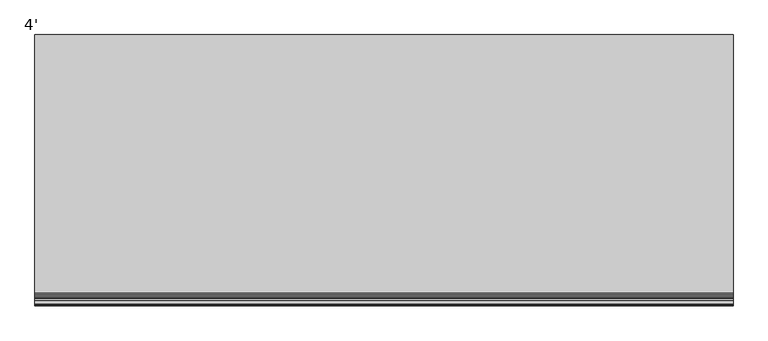
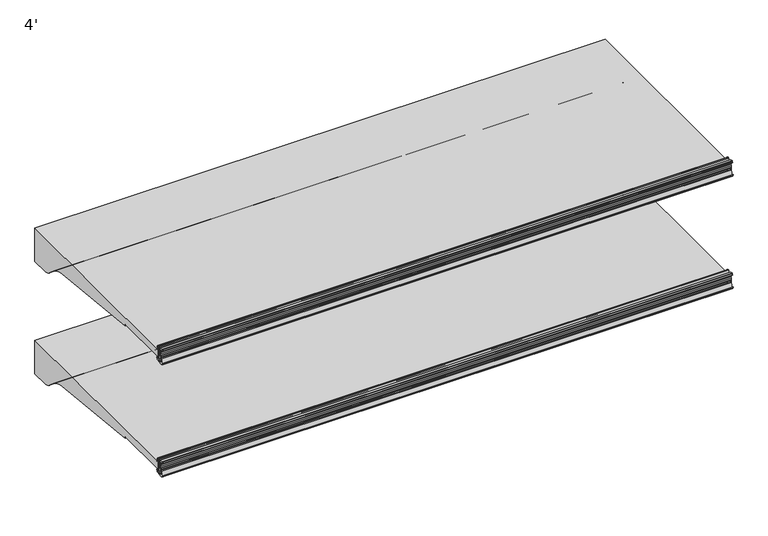
"""IFC4 building model written with IfcOpenShell, lengths in millimetres: proxy geometry, 4'."""

from ifc_helpers import new_model, si_unit, point, frame, frame_2d, origin, place, context, project, spatial, polyline, circle_curve, trimmed, segment, composite_curve, outline, extrude, source, transform, mapped, element, save
from ifc_brep_helpers import plane_surface, cylinder_surface, revolved_surface, advanced_brep


def proxy_4_327bffad(model_context):
    return source(origin(), model_context, "Body", "SolidModel", [
        advanced_brep(
        [(1219.2, -953.4873974, 681.0904625), (1219.2, -952.5185778, 681.4714625), (1219.2, -953.6333414, 684.3061209), (1219.2, -956.6955302, 686.3996415), (1219.2, -959.1595285, 686.4076477), (1219.2, -959.1595285, 657.8657693), (1219.2, -961.2817196, 655.360368), (1219.2, -965.5436404, 654.6561237), (1219.2, -968.2411887, 658.2745384), (1219.2, -965.1539285, 670.8307421), (1219.2, -965.1539285, 686.4076477), (1219.2, -970.314443, 686.4076477), (1219.2, -971.339509, 685.8874951), (1219.2, -972.4224632, 683.637417), (1219.2, -971.4385536, 683.443709), (1219.2, -970.8449745, 685.0408785), (1219.2, -969.9972085, 685.2102858), (1219.2, -967.9567396, 682.1127655), (1219.2, -967.0677396, 682.1127655), (1219.2, -967.0677396, 677.2983931), (1219.2, -966.2810398, 677.1037668), (1219.2, -967.0803293, 673.8729566), (1219.2, -967.1337108, 670.8148125), (1219.2, -967.1768859, 669.6923073), (1219.2, -967.3201998, 668.0486892), (1219.2, -967.7783843, 665.2928115), (1219.2, -968.1746064, 663.6912412), (1219.2, -971.9864246, 655.4135187), (1219.2, -972.8889174, 655.5326257), (1219.2, -973.3695256, 656.9783707), (1219.2, -974.339124, 656.7144155), (1219.2, -973.9435731, 655.5633791), (1219.2, -968.3206176, 651.8042842), (1219.2, -955.7661201, 653.8703352), (1219.2, -953.1994616, 655.999106), (1219.2, -952.2242271, 658.6783954), (1219.2, -953.2266912, 659.0432625), (1219.2, -954.0834067, 657.2549991), (1219.2, -957.704454, 658.1647291), (1219.2, -957.8263588, 681.9749145), (1219.2, -954.1516029, 682.7785615), (0.0, -953.4873974, 681.0904625), (0.0, -954.1516029, 682.7785615), (0.0, -957.8263588, 681.9749145), (0.0, -957.704454, 658.1647291), (0.0, -954.0834067, 657.2549991), (0.0, -953.2266912, 659.0432625), (0.0, -952.2242271, 658.6783954), (0.0, -953.1994616, 655.999106), (0.0, -955.7661201, 653.8703352), (0.0, -968.3206176, 651.8042842), (0.0, -973.943554, 655.5633876), (0.0, -974.339124, 656.7144155), (0.0, -973.3695256, 656.9783707), (0.0, -972.8889174, 655.5326257), (0.0, -971.9864527, 655.4135375), (0.0, -968.1746064, 663.6912412), (0.0, -967.7783843, 665.2928115), (0.0, -967.3201998, 668.0486892), (0.0, -967.1768859, 669.6923073), (0.0, -967.1337108, 670.8148125), (0.0, -967.0803293, 673.8729566), (0.0, -966.2810398, 677.1037668), (0.0, -967.0677396, 677.2983931), (0.0, -967.0677396, 682.1127655), (0.0, -967.9567396, 682.1127655), (0.0, -969.9972022, 685.2102916), (0.0, -970.8449745, 685.0408785), (0.0, -971.4385536, 683.443709), (0.0, -972.4224582, 683.6374156), (0.0, -971.3395219, 685.8875045), (0.0, -970.314443, 686.4076351), (0.0, -965.1539285, 686.4076477), (0.0, -965.1539285, 670.8307421), (0.0, -968.2411887, 658.2745384), (0.0, -965.5436404, 654.6561237), (0.0, -961.2817196, 655.360368), (0.0, -959.1595285, 657.8657693), (0.0, -959.1595285, 686.4076477), (0.0, -956.6955302, 686.3996415), (0.0, -953.6333414, 684.3061209), (0.0, -952.5185778, 681.4714625)],
        [
            (0, 1),
            (1, 2),
            (2, 3, circle_curve(frame((1219.2, -956.7062592, 683.0976589), z_axis=(1.0, 0.0, 0.0), x_axis=(0.0, 1.0, 0.0)), 3.302)),
            (3, 4),
            (4, 5),
            (5, 6, circle_curve(frame((1219.2, -961.6995285, 657.8657693), z_axis=(-1.0, 0.0, 0.0), x_axis=(0.0, 1.0, 0.0)), 2.54)),
            (6, 7),
            (7, 8, circle_curve(frame((1219.2, -965.9577369, 657.1621385), z_axis=(-1.0, 0.0, 0.0), x_axis=(0.0, 1.0, 0.0)), 2.5399972)),
            (8, 9, circle_curve(frame((1219.2, -996.6337496, 671.9132099), z_axis=(1.0, 0.0, 0.0), x_axis=(0.0, 1.0, 0.0)), 31.4984265)),
            (9, 10),
            (10, 11),
            (11, 12, circle_curve(frame((1219.2, -970.3145227, 685.1376477), z_axis=(1.0, 0.0, 0.0), x_axis=(0.0, 1.0, 0.0)), 1.2699874)),
            (12, 13, circle_curve(frame((1219.2, -965.8048035, 681.8380607), z_axis=(1.0, 0.0, 0.0), x_axis=(0.0, 1.0, 0.0)), 6.8579226)),
            (13, 14, circle_curve(frame((1219.2, -971.9374049, 683.5055199), z_axis=(1.0, 0.0, 0.0), x_axis=(0.0, 1.0, 0.0)), 0.5026661)),
            (14, 15),
            (15, 16, circle_curve(frame((1219.2, -970.3688025, 684.8639119), z_axis=(-1.0, 0.0, 0.0), x_axis=(0.0, 1.0, 0.0)), 0.5079931)),
            (16, 17, circle_curve(frame((1219.2, -978.1160311, 677.6412695), z_axis=(-1.0, 0.0, 0.0), x_axis=(0.0, 1.0, 0.0)), 11.0997964)),
            (17, 18),
            (18, 19),
            (19, 20),
            (20, 21),
            (21, 22),
            (22, 23, circle_curve(frame((1219.2, -995.7036769, 671.3516199), z_axis=(-1.0, 0.0, 0.0), x_axis=(0.0, 1.0, 0.0)), 28.5750087)),
            (23, 24, circle_curve(frame((1219.2, -967.6415419, 668.9047655), z_axis=(-1.0, 0.0, 0.0), x_axis=(0.0, 1.0, 0.0)), 0.9144)),
            (24, 25, circle_curve(frame((1219.2, -995.7036769, 671.3516199), z_axis=(-1.0, 0.0, 0.0), x_axis=(0.0, 1.0, 0.0)), 28.5750087)),
            (25, 26, circle_curve(frame((1219.2, -968.3594405, 664.5867655), z_axis=(-1.0, 0.0, 0.0), x_axis=(0.0, 1.0, 0.0)), 0.9144)),
            (26, 27, circle_curve(frame((1219.2, -995.7036769, 671.3516199), z_axis=(-1.0, 0.0, 0.0), x_axis=(0.0, 1.0, 0.0)), 28.5750087)),
            (27, 28, circle_curve(frame((1219.2, -972.4081685, 655.6967617), z_axis=(-1.0, 0.0, 0.0), x_axis=(0.0, 1.0, 0.0)), 0.5079962)),
            (28, 29),
            (29, 30, circle_curve(frame((1219.2, -973.8504313, 656.8320909), z_axis=(1.0, 0.0, 0.0), x_axis=(0.0, 1.0, 0.0)), 0.502661)),
            (30, 31, circle_curve(frame((1219.2, -967.6812793, 658.3588849), z_axis=(1.0, 0.0, 0.0), x_axis=(0.0, 1.0, 0.0)), 6.857928)),
            (31, 32, circle_curve(frame((1219.2, -968.1450833, 658.1518495), z_axis=(1.0, 0.0, 0.0), x_axis=(0.0, 1.0, 0.0)), 6.3499919)),
            (32, 33),
            (33, 34, circle_curve(frame((1219.2, -956.302307, 657.1285107), z_axis=(1.0, 0.0, 0.0), x_axis=(0.0, 1.0, 0.0)), 3.302)),
            (34, 35),
            (35, 36),
            (36, 37),
            (37, 38, circle_curve(frame((1219.2, -955.8014264, 658.0780625), z_axis=(-1.0, 0.0, 0.0), x_axis=(0.0, 1.0, 0.0)), 1.905)),
            (38, 39, circle_curve(frame((1219.2, -1192.7045275, 668.8669665), z_axis=(1.0, 0.0, 0.0), x_axis=(0.0, 1.0, 0.0)), 235.2436449)),
            (39, 40, circle_curve(frame((1219.2, -955.9243184, 682.0810625), z_axis=(-1.0, 0.0, 0.0), x_axis=(0.0, 1.0, 0.0)), 1.905)),
            (40, 0),
            (41, 42),
            (42, 43, circle_curve(frame((0.0, -955.9243184, 682.0810625), z_axis=(1.0, 0.0, 0.0), x_axis=(0.0, 1.0, 0.0)), 1.905)),
            (43, 44, circle_curve(frame((0.0, -1192.7045275, 668.8669665), z_axis=(-1.0, 0.0, 0.0), x_axis=(0.0, 1.0, 0.0)), 235.2436449)),
            (44, 45, circle_curve(frame((0.0, -955.8014264, 658.0780625), z_axis=(1.0, 0.0, 0.0), x_axis=(0.0, 1.0, 0.0)), 1.905)),
            (45, 46),
            (46, 47),
            (47, 48),
            (48, 49, circle_curve(frame((0.0, -956.302307, 657.1285107), z_axis=(-1.0, 0.0, 0.0), x_axis=(0.0, 1.0, 0.0)), 3.302)),
            (49, 50),
            (50, 51, circle_curve(frame((0.0, -968.1450833, 658.1518495), z_axis=(-1.0, 0.0, 0.0), x_axis=(0.0, 1.0, 0.0)), 6.3499919)),
            (51, 52, circle_curve(frame((0.0, -967.6812793, 658.3588849), z_axis=(-1.0, 0.0, 0.0), x_axis=(0.0, 1.0, 0.0)), 6.857928)),
            (52, 53, circle_curve(frame((0.0, -973.8504313, 656.8320909), z_axis=(-1.0, 0.0, 0.0), x_axis=(0.0, 1.0, 0.0)), 0.502661)),
            (53, 54),
            (54, 55, circle_curve(frame((0.0, -972.4081685, 655.6967617), z_axis=(1.0, 0.0, 0.0), x_axis=(0.0, 1.0, 0.0)), 0.5079962)),
            (55, 56, circle_curve(frame((0.0, -995.7036769, 671.3516199), z_axis=(1.0, 0.0, 0.0), x_axis=(0.0, 1.0, 0.0)), 28.5750087)),
            (56, 57, circle_curve(frame((0.0, -968.3594405, 664.5867655), z_axis=(1.0, 0.0, 0.0), x_axis=(0.0, 1.0, 0.0)), 0.9144)),
            (57, 58, circle_curve(frame((0.0, -995.7036769, 671.3516199), z_axis=(1.0, 0.0, 0.0), x_axis=(0.0, 1.0, 0.0)), 28.5750087)),
            (58, 59, circle_curve(frame((0.0, -967.6415419, 668.9047655), z_axis=(1.0, 0.0, 0.0), x_axis=(0.0, 1.0, 0.0)), 0.9144)),
            (59, 60, circle_curve(frame((0.0, -995.7036769, 671.3516199), z_axis=(1.0, 0.0, 0.0), x_axis=(0.0, 1.0, 0.0)), 28.5750087)),
            (60, 61),
            (61, 62),
            (62, 63),
            (63, 64),
            (64, 65),
            (65, 66, circle_curve(frame((0.0, -978.1160311, 677.6412695), z_axis=(1.0, 0.0, 0.0), x_axis=(0.0, 1.0, 0.0)), 11.0997964)),
            (66, 67, circle_curve(frame((0.0, -970.3688025, 684.8639119), z_axis=(1.0, 0.0, 0.0), x_axis=(0.0, 1.0, 0.0)), 0.5079931)),
            (67, 68),
            (68, 69, circle_curve(frame((0.0, -971.9374049, 683.5055199), z_axis=(-1.0, 0.0, 0.0), x_axis=(0.0, 1.0, 0.0)), 0.5026661)),
            (69, 70, circle_curve(frame((0.0, -965.8048035, 681.8380607), z_axis=(-1.0, 0.0, 0.0), x_axis=(0.0, 1.0, 0.0)), 6.8579226)),
            (70, 71, circle_curve(frame((0.0, -970.3145227, 685.1376477), z_axis=(-1.0, 0.0, 0.0), x_axis=(0.0, 1.0, 0.0)), 1.2699874)),
            (71, 72),
            (72, 73),
            (73, 74, circle_curve(frame((0.0, -996.6337496, 671.9132099), z_axis=(-1.0, 0.0, 0.0), x_axis=(0.0, 1.0, 0.0)), 31.4984265)),
            (74, 75, circle_curve(frame((0.0, -965.9577369, 657.1621385), z_axis=(1.0, 0.0, 0.0), x_axis=(0.0, 1.0, 0.0)), 2.5399972)),
            (75, 76),
            (76, 77, circle_curve(frame((0.0, -961.6995285, 657.8657693), z_axis=(1.0, 0.0, 0.0), x_axis=(0.0, 1.0, 0.0)), 2.54)),
            (77, 78),
            (78, 79),
            (79, 80, circle_curve(frame((0.0, -956.7062592, 683.0976589), z_axis=(-1.0, 0.0, 0.0), x_axis=(0.0, 1.0, 0.0)), 3.302)),
            (80, 81),
            (81, 41),
            (0, 41),
            (81, 1),
            (80, 2),
            (79, 3),
            (78, 4),
            (77, 5),
            (76, 6),
            (75, 7),
            (74, 8),
            (73, 9),
            (72, 10),
            (71, 11),
            (70, 12),
            (69, 13),
            (68, 14),
            (67, 15),
            (66, 16),
            (65, 17),
            (64, 18),
            (63, 19),
            (62, 20),
            (61, 21),
            (60, 22),
            (59, 23),
            (58, 24),
            (57, 25),
            (56, 26),
            (55, 27),
            (54, 28),
            (53, 29),
            (52, 30),
            (51, 31),
            (50, 32),
            (49, 33),
            (48, 34),
            (47, 35),
            (46, 36),
            (45, 37),
            (44, 38),
            (43, 39),
            (42, 40),
        ],
        [
            plane_surface(frame((1219.2, -952.5185778, 681.4714625), z_axis=(1.0, 0.0, 0.0), x_axis=(0.0, 0.9306231900674232, 0.3659787946162082))),
            plane_surface(frame((0.0, -952.5185778, 681.4714625), z_axis=(-1.0, 0.0, 0.0), x_axis=(0.0, -0.9306231900674232, -0.3659787946162082))),
            plane_surface(frame((1219.2, -953.4873974, 681.0904625), z_axis=(0.0, 0.3659787946162082, -0.9306231900674232), x_axis=(-1.0, 0.0, 0.0))),
            plane_surface(frame((1219.2, -952.5185778, 681.4714625), z_axis=(0.0, 0.9306231900759704, 0.3659787945944743), x_axis=(-1.0, 0.0, 0.0))),
            cylinder_surface(frame((0.0, -956.7062592, 683.0976589), z_axis=(1.0, 0.0, 0.0), x_axis=(0.0, 1.0, 0.0)), 3.302),
            plane_surface(frame((1219.2, -956.6955302, 686.3996415), z_axis=(0.0, 0.0032492421037266625, 0.9999947211989428), x_axis=(-1.0, 0.0, 0.0))),
            plane_surface(frame((1219.2, -959.1595285, 686.4076477), z_axis=(0.0, -1.0, 0.0), x_axis=(-1.0, 0.0, 0.0))),
            revolved_surface(polyline([(0.0, -959.1595285000001, 657.8657693), (1219.2, -959.1595285000001, 657.8657693)]), (0.0, -961.6995285, 657.8657693), (-1.0, 0.0, 0.0)),
            plane_surface(frame((1219.2, -961.2817196, 655.360368), z_axis=(0.0, -0.16303029417408857, 0.9866210636214444), x_axis=(-1.0, 0.0, 0.0))),
            revolved_surface(polyline([(0.0, -963.4177397, 657.1621385), (1219.2, -963.4177397, 657.1621385)]), (0.0, -965.9577369, 657.1621385), (-1.0, 0.0, 0.0)),
            cylinder_surface(frame((0.0, -996.6337496, 671.9132099), z_axis=(1.0, 0.0, 0.0), x_axis=(0.0, 1.0, 0.0)), 31.4984265),
            plane_surface(frame((1219.2, -965.1539285, 670.8307421), z_axis=(0.0, 1.0, 0.0), x_axis=(-1.0, 0.0, 0.0))),
            plane_surface(frame((1219.2, -965.1539285, 686.4076477), z_axis=(0.0, -1.119160319973389e-12, 1.0), x_axis=(-1.0, 0.0, 0.0))),
            cylinder_surface(frame((0.0, -970.3145227, 685.1376477), z_axis=(1.0, 0.0, 0.0), x_axis=(0.0, 1.0, 0.0)), 1.2699874),
            cylinder_surface(frame((0.0, -965.8048035, 681.8380607), z_axis=(1.0, 0.0, 0.0), x_axis=(0.0, 1.0, 0.0)), 6.8579226),
            cylinder_surface(frame((0.0, -971.9374049, 683.5055199), z_axis=(1.0, 0.0, 0.0), x_axis=(0.0, 1.0, 0.0)), 0.5026661),
            plane_surface(frame((1219.2, -971.4385536, 683.443709), z_axis=(0.0, 0.9373592211117492, -0.34836430729449747), x_axis=(-1.0, 0.0, 0.0))),
            revolved_surface(polyline([(0.0, -969.8608094, 684.8639119), (1219.2, -969.8608094, 684.8639119)]), (0.0, -970.3688025, 684.8639119), (-1.0, 0.0, 0.0)),
            revolved_surface(polyline([(0.0, -967.0162347, 677.6412695), (1219.2, -967.0162347, 677.6412695)]), (0.0, -978.1160311, 677.6412695), (-1.0, 0.0, 0.0)),
            plane_surface(frame((1219.2, -967.9567396, 682.1127655), z_axis=(0.0, 3.0451831539108525e-12, -1.0), x_axis=(-1.0, 0.0, 0.0))),
            plane_surface(frame((1219.2, -967.0677396, 682.1127655), z_axis=(0.0, -1.0, 0.0), x_axis=(-1.0, 0.0, 0.0))),
            plane_surface(frame((1219.2, -967.0677396, 677.2983931), z_axis=(0.0, -0.24015578728041675, -0.9707343600778348), x_axis=(-1.0, 0.0, 0.0))),
            plane_surface(frame((1219.2, -966.2810398, 677.1037668), z_axis=(0.0, -0.9707343600778283, 0.2401557872804431), x_axis=(-1.0, 0.0, 0.0))),
            plane_surface(frame((1219.2, -967.0803293, 673.8729566), z_axis=(0.0, -0.9998476868214559, 0.017452883938876798), x_axis=(-1.0, 0.0, 0.0))),
            revolved_surface(polyline([(0.0, -967.1286682, 671.3516199), (1219.2, -967.1286682, 671.3516199)]), (0.0, -995.7036769, 671.3516199), (-1.0, 0.0, 0.0)),
            revolved_surface(polyline([(0.0, -966.7271419, 668.9047655), (1219.2, -966.7271419, 668.9047655)]), (0.0, -967.6415419, 668.9047655), (-1.0, 0.0, 0.0)),
            revolved_surface(polyline([(0.0, -967.4450405, 664.5867655), (1219.2, -967.4450405, 664.5867655)]), (0.0, -968.3594405, 664.5867655), (-1.0, 0.0, 0.0)),
            revolved_surface(polyline([(0.0, -971.9001723, 655.6967617), (1219.2, -971.9001723, 655.6967617)]), (0.0, -972.4081685, 655.6967617), (-1.0, 0.0, 0.0)),
            plane_surface(frame((1219.2, -972.8889174, 655.5326257), z_axis=(0.0, 0.9489403078347877, 0.31545568970367077), x_axis=(-1.0, 0.0, 0.0))),
            cylinder_surface(frame((0.0, -973.8504313, 656.8320909), z_axis=(1.0, 0.0, 0.0), x_axis=(0.0, 1.0, 0.0)), 0.502661),
            cylinder_surface(frame((0.0, -967.6812793, 658.3588849), z_axis=(1.0, 0.0, 0.0), x_axis=(0.0, 1.0, 0.0)), 6.857928),
            cylinder_surface(frame((0.0, -968.1450833, 658.1518495), z_axis=(1.0, 0.0, 0.0), x_axis=(0.0, 1.0, 0.0)), 6.3499919),
            plane_surface(frame((1219.2, -968.3206176, 651.8042842), z_axis=(0.0, 0.16238245504538304, -0.986727894757939), x_axis=(-1.0, 0.0, 0.0))),
            cylinder_surface(frame((0.0, -956.302307, 657.1285107), z_axis=(1.0, 0.0, 0.0), x_axis=(0.0, 1.0, 0.0)), 3.302),
            plane_surface(frame((1219.2, -953.1994616, 655.999106), z_axis=(0.0, 0.9396866512804775, -0.3420365439617273), x_axis=(-1.0, 0.0, 0.0))),
            plane_surface(frame((1219.2, -952.2242271, 658.6783954), z_axis=(0.0, 0.342020143308865, 0.9396926207920244), x_axis=(-1.0, 0.0, 0.0))),
            plane_surface(frame((1219.2, -953.2266912, 659.0432625), z_axis=(0.0, -0.901847608486837, 0.43205426865912666), x_axis=(-1.0, 0.0, 0.0))),
            revolved_surface(polyline([(0.0, -953.8964264, 658.0780625), (1219.2, -953.8964264, 658.0780625)]), (0.0, -955.8014264, 658.0780625), (-1.0, 0.0, 0.0)),
            cylinder_surface(frame((0.0, -1192.7045275, 668.8669665), z_axis=(1.0, 0.0, 0.0), x_axis=(0.0, 1.0, 0.0)), 235.2436449),
            revolved_surface(polyline([(0.0, -954.0193184, 682.0810625), (1219.2, -954.0193184, 682.0810625)]), (0.0, -955.9243184, 682.0810625), (-1.0, 0.0, 0.0)),
            plane_surface(frame((1219.2, -954.1516029, 682.7785615), z_axis=(0.0, -0.9305593005414599, -0.3661412134351841), x_axis=(-1.0, 0.0, 0.0))),
        ],
        [
            (0, [[1, 2, 3, 4, 5, 6, 7, 8, 9, 10, 11, 12, 13, 14, 15, 16, 17, 18, 19, 20, 21, 22, 23, 24, 25, 26, 27, 28, 29, 30, 31, 32, 33, 34, 35, 36, 37, 38, 39, 40, 41]]),
            (1, [[42, 43, 44, 45, 46, 47, 48, 49, 50, 51, 52, 53, 54, 55, 56, 57, 58, 59, 60, 61, 62, 63, 64, 65, 66, 67, 68, 69, 70, 71, 72, 73, 74, 75, 76, 77, 78, 79, 80, 81, 82]]),
            (2, [[-1, 83, -82, 84]]),
            (3, [[-2, -84, -81, 85]]),
            (4, [[-3, -85, -80, 86]]),
            (5, [[-4, -86, -79, 87]]),
            (6, [[-5, -87, -78, 88]]),
            (7, [[-6, -88, -77, 89]]),
            (8, [[-7, -89, -76, 90]]),
            (9, [[-8, -90, -75, 91]]),
            (10, [[-9, -91, -74, 92]]),
            (11, [[-10, -92, -73, 93]]),
            (12, [[-11, -93, -72, 94]]),
            (13, [[-12, -94, -71, 95]]),
            (14, [[-13, -95, -70, 96]]),
            (15, [[-14, -96, -69, 97]]),
            (16, [[-15, -97, -68, 98]]),
            (17, [[-16, -98, -67, 99]]),
            (18, [[-17, -99, -66, 100]]),
            (19, [[-18, -100, -65, 101]]),
            (20, [[-19, -101, -64, 102]]),
            (21, [[-20, -102, -63, 103]]),
            (22, [[-21, -103, -62, 104]]),
            (23, [[-22, -104, -61, 105]]),
            (24, [[-23, -105, -60, 106]]),
            (25, [[-24, -106, -59, 107]]),
            (24, [[-25, -107, -58, 108]]),
            (26, [[-26, -108, -57, 109]]),
            (24, [[-27, -109, -56, 110]]),
            (27, [[-28, -110, -55, 111]]),
            (28, [[-29, -111, -54, 112]]),
            (29, [[-30, -112, -53, 113]]),
            (30, [[-31, -113, -52, 114]]),
            (31, [[-32, -114, -51, 115]]),
            (32, [[-33, -115, -50, 116]]),
            (33, [[-34, -116, -49, 117]]),
            (34, [[-35, -117, -48, 118]]),
            (35, [[-36, -118, -47, 119]]),
            (36, [[-37, -119, -46, 120]]),
            (37, [[-38, -120, -45, 121]]),
            (38, [[-39, -121, -44, 122]]),
            (39, [[-40, -122, -43, 123]]),
            (40, [[-41, -123, -42, -83]]),
        ],
    ),
        extrude(outline(composite_curve([segment(trimmed(circle_curve(frame_2d((-536.2729198, 626.0606371)), 25.4), [point((-535.8410838, 600.6643083))], [point((-552.2502761, 606.3151544))], False, "CARTESIAN"), True, "CONTINUOUS"), segment(polyline([(-552.2502761, 606.3151544), (-570.1023372, 620.76042)]), True, "CONTINUOUS"), segment(trimmed(circle_curve(frame_2d((-610.0457279, 571.3967132)), 63.5), [point((-570.1023372, 620.76042))], [point((-602.1478466, 634.4036452))], True, "CARTESIAN"), True, "CONTINUOUS"), segment(polyline([(-602.1478466, 634.4036452), (-835.4355203, 658.1879037), (-835.4355203, 661.5413347), (-954.2108051, 661.5413347), (-954.8655599, 657.8280355)]), True, "CONTINUOUS"), segment(trimmed(circle_curve(frame_2d((-956.153787, 658.0551847)), 1.3081), [point((-954.8655599, 657.8280355))], [point((-957.461887, 658.0551847))], False, "CARTESIAN"), True, "CONTINUOUS"), segment(polyline([(-957.461887, 658.0551847), (-957.461887, 682.2076215)]), True, "CONTINUOUS"), segment(trimmed(circle_curve(frame_2d((-956.6845498, 682.2076215)), 0.7773372), [point((-957.461887, 682.2076215))], [point((-955.9072126, 682.2076215))], False, "CARTESIAN"), True, "CONTINUOUS"), segment(polyline([(-955.9072126, 682.2076215), (-955.9072126, 681.3588437)]), True, "CONTINUOUS"), segment(trimmed(circle_curve(frame_2d((-951.0617588, 681.3588437)), 4.8454538), [point((-955.9072126, 681.3588437))], [point((-951.0838062, 676.5134401))], True, "CARTESIAN"), True, "CONTINUOUS"), segment(polyline([(-951.0838062, 676.5134401), (-500.2639658, 676.5134401), (-500.2639658, 600.6643083), (-535.8410838, 600.6643083)]), True, "CONTINUOUS")], self_intersect=False)), frame((0.0, 0.0, 0.0), z_axis=(1.0, 0.0, 0.0), x_axis=(0.0, 1.0, 0.0)), (0.0, 0.0, 1.0), 1219.2),
        advanced_brep(
        [(1219.2, -953.4873974, 935.3347051), (1219.2, -952.5185778, 935.7157051), (1219.2, -953.6333414, 938.5503636), (1219.2, -956.6955302, 940.6438842), (1219.2, -959.1595285, 940.6518903), (1219.2, -959.1595285, 912.1100119), (1219.2, -961.2817196, 909.6046106), (1219.2, -965.5436404, 908.9003664), (1219.2, -968.2411887, 912.5187811), (1219.2, -965.1539285, 925.0749847), (1219.2, -965.1539285, 940.6518903), (1219.2, -970.314443, 940.6518903), (1219.2, -971.339509, 940.1317378), (1219.2, -972.4224632, 937.8816596), (1219.2, -971.4385536, 937.6879516), (1219.2, -970.8449745, 939.2851212), (1219.2, -969.9972085, 939.4545284), (1219.2, -967.9567396, 936.3570081), (1219.2, -967.0677396, 936.3570081), (1219.2, -967.0677396, 931.5426358), (1219.2, -966.2810398, 931.3480094), (1219.2, -967.0803293, 928.1171993), (1219.2, -967.1337108, 925.0590552), (1219.2, -967.1768859, 923.93655), (1219.2, -967.3201998, 922.2929318), (1219.2, -967.7783843, 919.5370542), (1219.2, -968.1746064, 917.9354839), (1219.2, -971.9864246, 909.6577613), (1219.2, -972.8889174, 909.7768683), (1219.2, -973.3695256, 911.2226133), (1219.2, -974.339124, 910.9586582), (1219.2, -973.9435731, 909.8076217), (1219.2, -968.3206176, 906.0485269), (1219.2, -955.7661201, 908.1145778), (1219.2, -953.1994616, 910.2433487), (1219.2, -952.2242271, 912.922638), (1219.2, -953.2266912, 913.2875051), (1219.2, -954.0834067, 911.4992417), (1219.2, -957.704454, 912.4089717), (1219.2, -957.8263588, 936.2191571), (1219.2, -954.1516029, 937.0228041), (0.0, -953.4873974, 935.3347051), (0.0, -954.1516029, 937.0228041), (0.0, -957.8263588, 936.2191571), (0.0, -957.704454, 912.4089717), (0.0, -954.0834067, 911.4992417), (0.0, -953.2266912, 913.2875051), (0.0, -952.2242271, 912.922638), (0.0, -953.1994616, 910.2433487), (0.0, -955.7661201, 908.1145778), (0.0, -968.3206176, 906.0485269), (0.0, -973.943554, 909.8076302), (0.0, -974.339124, 910.9586582), (0.0, -973.3695256, 911.2226133), (0.0, -972.8889174, 909.7768683), (0.0, -971.9864527, 909.6577802), (0.0, -968.1746064, 917.9354839), (0.0, -967.7783843, 919.5370542), (0.0, -967.3201998, 922.2929318), (0.0, -967.1768859, 923.93655), (0.0, -967.1337108, 925.0590552), (0.0, -967.0803293, 928.1171993), (0.0, -966.2810398, 931.3480094), (0.0, -967.0677396, 931.5426358), (0.0, -967.0677396, 936.3570081), (0.0, -967.9567396, 936.3570081), (0.0, -969.9972022, 939.4545343), (0.0, -970.8449745, 939.2851212), (0.0, -971.4385536, 937.6879516), (0.0, -972.4224582, 937.8816583), (0.0, -971.3395219, 940.1317472), (0.0, -970.314443, 940.6518777), (0.0, -965.1539285, 940.6518903), (0.0, -965.1539285, 925.0749847), (0.0, -968.2411887, 912.5187811), (0.0, -965.5436404, 908.9003664), (0.0, -961.2817196, 909.6046106), (0.0, -959.1595285, 912.1100119), (0.0, -959.1595285, 940.6518903), (0.0, -956.6955302, 940.6438842), (0.0, -953.6333414, 938.5503636), (0.0, -952.5185778, 935.7157051)],
        [
            (0, 1),
            (1, 2),
            (2, 3, circle_curve(frame((1219.2, -956.7062592, 937.3419016), z_axis=(1.0, 0.0, 0.0), x_axis=(0.0, 1.0, 0.0)), 3.302)),
            (3, 4),
            (4, 5),
            (5, 6, circle_curve(frame((1219.2, -961.6995285, 912.1100119), z_axis=(-1.0, 0.0, 0.0), x_axis=(0.0, 1.0, 0.0)), 2.54)),
            (6, 7),
            (7, 8, circle_curve(frame((1219.2, -965.9577369, 911.4063811), z_axis=(-1.0, 0.0, 0.0), x_axis=(0.0, 1.0, 0.0)), 2.5399972)),
            (8, 9, circle_curve(frame((1219.2, -996.6337496, 926.1574525), z_axis=(1.0, 0.0, 0.0), x_axis=(0.0, 1.0, 0.0)), 31.4984265)),
            (9, 10),
            (10, 11),
            (11, 12, circle_curve(frame((1219.2, -970.3145227, 939.3818903), z_axis=(1.0, 0.0, 0.0), x_axis=(0.0, 1.0, 0.0)), 1.2699874)),
            (12, 13, circle_curve(frame((1219.2, -965.8048035, 936.0823033), z_axis=(1.0, 0.0, 0.0), x_axis=(0.0, 1.0, 0.0)), 6.8579226)),
            (13, 14, circle_curve(frame((1219.2, -971.9374049, 937.7497625), z_axis=(1.0, 0.0, 0.0), x_axis=(0.0, 1.0, 0.0)), 0.5026661)),
            (14, 15),
            (15, 16, circle_curve(frame((1219.2, -970.3688025, 939.1081545), z_axis=(-1.0, 0.0, 0.0), x_axis=(0.0, 1.0, 0.0)), 0.5079931)),
            (16, 17, circle_curve(frame((1219.2, -978.1160311, 931.8855121), z_axis=(-1.0, 0.0, 0.0), x_axis=(0.0, 1.0, 0.0)), 11.0997964)),
            (17, 18),
            (18, 19),
            (19, 20),
            (20, 21),
            (21, 22),
            (22, 23, circle_curve(frame((1219.2, -995.7036769, 925.5958625), z_axis=(-1.0, 0.0, 0.0), x_axis=(0.0, 1.0, 0.0)), 28.5750087)),
            (23, 24, circle_curve(frame((1219.2, -967.6415419, 923.1490081), z_axis=(-1.0, 0.0, 0.0), x_axis=(0.0, 1.0, 0.0)), 0.9144)),
            (24, 25, circle_curve(frame((1219.2, -995.7036769, 925.5958625), z_axis=(-1.0, 0.0, 0.0), x_axis=(0.0, 1.0, 0.0)), 28.5750087)),
            (25, 26, circle_curve(frame((1219.2, -968.3594405, 918.8310081), z_axis=(-1.0, 0.0, 0.0), x_axis=(0.0, 1.0, 0.0)), 0.9144)),
            (26, 27, circle_curve(frame((1219.2, -995.7036769, 925.5958625), z_axis=(-1.0, 0.0, 0.0), x_axis=(0.0, 1.0, 0.0)), 28.5750087)),
            (27, 28, circle_curve(frame((1219.2, -972.4081685, 909.9410043), z_axis=(-1.0, 0.0, 0.0), x_axis=(0.0, 1.0, 0.0)), 0.5079962)),
            (28, 29),
            (29, 30, circle_curve(frame((1219.2, -973.8504313, 911.0763335), z_axis=(1.0, 0.0, 0.0), x_axis=(0.0, 1.0, 0.0)), 0.502661)),
            (30, 31, circle_curve(frame((1219.2, -967.6812793, 912.6031275), z_axis=(1.0, 0.0, 0.0), x_axis=(0.0, 1.0, 0.0)), 6.857928)),
            (31, 32, circle_curve(frame((1219.2, -968.1450833, 912.3960921), z_axis=(1.0, 0.0, 0.0), x_axis=(0.0, 1.0, 0.0)), 6.3499919)),
            (32, 33),
            (33, 34, circle_curve(frame((1219.2, -956.302307, 911.3727533), z_axis=(1.0, 0.0, 0.0), x_axis=(0.0, 1.0, 0.0)), 3.302)),
            (34, 35),
            (35, 36),
            (36, 37),
            (37, 38, circle_curve(frame((1219.2, -955.8014264, 912.3223051), z_axis=(-1.0, 0.0, 0.0), x_axis=(0.0, 1.0, 0.0)), 1.905)),
            (38, 39, circle_curve(frame((1219.2, -1192.7045275, 923.1112091), z_axis=(1.0, 0.0, 0.0), x_axis=(0.0, 1.0, 0.0)), 235.2436449)),
            (39, 40, circle_curve(frame((1219.2, -955.9243184, 936.3253051), z_axis=(-1.0, 0.0, 0.0), x_axis=(0.0, 1.0, 0.0)), 1.905)),
            (40, 0),
            (41, 42),
            (42, 43, circle_curve(frame((0.0, -955.9243184, 936.3253051), z_axis=(1.0, 0.0, 0.0), x_axis=(0.0, 1.0, 0.0)), 1.905)),
            (43, 44, circle_curve(frame((0.0, -1192.7045275, 923.1112091), z_axis=(-1.0, 0.0, 0.0), x_axis=(0.0, 1.0, 0.0)), 235.2436449)),
            (44, 45, circle_curve(frame((0.0, -955.8014264, 912.3223051), z_axis=(1.0, 0.0, 0.0), x_axis=(0.0, 1.0, 0.0)), 1.905)),
            (45, 46),
            (46, 47),
            (47, 48),
            (48, 49, circle_curve(frame((0.0, -956.302307, 911.3727533), z_axis=(-1.0, 0.0, 0.0), x_axis=(0.0, 1.0, 0.0)), 3.302)),
            (49, 50),
            (50, 51, circle_curve(frame((0.0, -968.1450833, 912.3960921), z_axis=(-1.0, 0.0, 0.0), x_axis=(0.0, 1.0, 0.0)), 6.3499919)),
            (51, 52, circle_curve(frame((0.0, -967.6812793, 912.6031275), z_axis=(-1.0, 0.0, 0.0), x_axis=(0.0, 1.0, 0.0)), 6.857928)),
            (52, 53, circle_curve(frame((0.0, -973.8504313, 911.0763335), z_axis=(-1.0, 0.0, 0.0), x_axis=(0.0, 1.0, 0.0)), 0.502661)),
            (53, 54),
            (54, 55, circle_curve(frame((0.0, -972.4081685, 909.9410043), z_axis=(1.0, 0.0, 0.0), x_axis=(0.0, 1.0, 0.0)), 0.5079962)),
            (55, 56, circle_curve(frame((0.0, -995.7036769, 925.5958625), z_axis=(1.0, 0.0, 0.0), x_axis=(0.0, 1.0, 0.0)), 28.5750087)),
            (56, 57, circle_curve(frame((0.0, -968.3594405, 918.8310081), z_axis=(1.0, 0.0, 0.0), x_axis=(0.0, 1.0, 0.0)), 0.9144)),
            (57, 58, circle_curve(frame((0.0, -995.7036769, 925.5958625), z_axis=(1.0, 0.0, 0.0), x_axis=(0.0, 1.0, 0.0)), 28.5750087)),
            (58, 59, circle_curve(frame((0.0, -967.6415419, 923.1490081), z_axis=(1.0, 0.0, 0.0), x_axis=(0.0, 1.0, 0.0)), 0.9144)),
            (59, 60, circle_curve(frame((0.0, -995.7036769, 925.5958625), z_axis=(1.0, 0.0, 0.0), x_axis=(0.0, 1.0, 0.0)), 28.5750087)),
            (60, 61),
            (61, 62),
            (62, 63),
            (63, 64),
            (64, 65),
            (65, 66, circle_curve(frame((0.0, -978.1160311, 931.8855121), z_axis=(1.0, 0.0, 0.0), x_axis=(0.0, 1.0, 0.0)), 11.0997964)),
            (66, 67, circle_curve(frame((0.0, -970.3688025, 939.1081545), z_axis=(1.0, 0.0, 0.0), x_axis=(0.0, 1.0, 0.0)), 0.5079931)),
            (67, 68),
            (68, 69, circle_curve(frame((0.0, -971.9374049, 937.7497625), z_axis=(-1.0, 0.0, 0.0), x_axis=(0.0, 1.0, 0.0)), 0.5026661)),
            (69, 70, circle_curve(frame((0.0, -965.8048035, 936.0823033), z_axis=(-1.0, 0.0, 0.0), x_axis=(0.0, 1.0, 0.0)), 6.8579226)),
            (70, 71, circle_curve(frame((0.0, -970.3145227, 939.3818903), z_axis=(-1.0, 0.0, 0.0), x_axis=(0.0, 1.0, 0.0)), 1.2699874)),
            (71, 72),
            (72, 73),
            (73, 74, circle_curve(frame((0.0, -996.6337496, 926.1574525), z_axis=(-1.0, 0.0, 0.0), x_axis=(0.0, 1.0, 0.0)), 31.4984265)),
            (74, 75, circle_curve(frame((0.0, -965.9577369, 911.4063811), z_axis=(1.0, 0.0, 0.0), x_axis=(0.0, 1.0, 0.0)), 2.5399972)),
            (75, 76),
            (76, 77, circle_curve(frame((0.0, -961.6995285, 912.1100119), z_axis=(1.0, 0.0, 0.0), x_axis=(0.0, 1.0, 0.0)), 2.54)),
            (77, 78),
            (78, 79),
            (79, 80, circle_curve(frame((0.0, -956.7062592, 937.3419016), z_axis=(-1.0, 0.0, 0.0), x_axis=(0.0, 1.0, 0.0)), 3.302)),
            (80, 81),
            (81, 41),
            (0, 41),
            (81, 1),
            (80, 2),
            (79, 3),
            (78, 4),
            (77, 5),
            (76, 6),
            (75, 7),
            (74, 8),
            (73, 9),
            (72, 10),
            (71, 11),
            (70, 12),
            (69, 13),
            (68, 14),
            (67, 15),
            (66, 16),
            (65, 17),
            (64, 18),
            (63, 19),
            (62, 20),
            (61, 21),
            (60, 22),
            (59, 23),
            (58, 24),
            (57, 25),
            (56, 26),
            (55, 27),
            (54, 28),
            (53, 29),
            (52, 30),
            (51, 31),
            (50, 32),
            (49, 33),
            (48, 34),
            (47, 35),
            (46, 36),
            (45, 37),
            (44, 38),
            (43, 39),
            (42, 40),
        ],
        [
            plane_surface(frame((1219.2, -952.5185778, 935.7157051), z_axis=(1.0, 0.0, 0.0), x_axis=(0.0, 0.9306231900674232, 0.3659787946162082))),
            plane_surface(frame((0.0, -952.5185778, 935.7157051), z_axis=(-1.0, 0.0, 0.0), x_axis=(0.0, -0.9306231900674232, -0.3659787946162082))),
            plane_surface(frame((1219.2, -953.4873974, 935.3347051), z_axis=(0.0, 0.3659787946162082, -0.9306231900674232), x_axis=(-1.0, 0.0, 0.0))),
            plane_surface(frame((1219.2, -952.5185778, 935.7157051), z_axis=(0.0, 0.9306231900759704, 0.3659787945944743), x_axis=(-1.0, 0.0, 0.0))),
            cylinder_surface(frame((0.0, -956.7062592, 937.3419016), z_axis=(1.0, 0.0, 0.0), x_axis=(0.0, 1.0, 0.0)), 3.302),
            plane_surface(frame((1219.2, -956.6955302, 940.6438842), z_axis=(0.0, 0.0032492421037266625, 0.9999947211989428), x_axis=(-1.0, 0.0, 0.0))),
            plane_surface(frame((1219.2, -959.1595285, 940.6518903), z_axis=(0.0, -1.0, 0.0), x_axis=(-1.0, 0.0, 0.0))),
            revolved_surface(polyline([(0.0, -959.1595285000001, 912.1100119), (1219.2, -959.1595285000001, 912.1100119)]), (0.0, -961.6995285, 912.1100119), (-1.0, 0.0, 0.0)),
            plane_surface(frame((1219.2, -961.2817196, 909.6046106), z_axis=(0.0, -0.16303029417408857, 0.9866210636214444), x_axis=(-1.0, 0.0, 0.0))),
            revolved_surface(polyline([(0.0, -963.4177397, 911.4063811), (1219.2, -963.4177397, 911.4063811)]), (0.0, -965.9577369, 911.4063811), (-1.0, 0.0, 0.0)),
            cylinder_surface(frame((0.0, -996.6337496, 926.1574525), z_axis=(1.0, 0.0, 0.0), x_axis=(0.0, 1.0, 0.0)), 31.4984265),
            plane_surface(frame((1219.2, -965.1539285, 925.0749847), z_axis=(0.0, 1.0, 0.0), x_axis=(-1.0, 0.0, 0.0))),
            plane_surface(frame((1219.2, -965.1539285, 940.6518903), z_axis=(0.0, -1.119160319973389e-12, 1.0), x_axis=(-1.0, 0.0, 0.0))),
            cylinder_surface(frame((0.0, -970.3145227, 939.3818903), z_axis=(1.0, 0.0, 0.0), x_axis=(0.0, 1.0, 0.0)), 1.2699874),
            cylinder_surface(frame((0.0, -965.8048035, 936.0823033), z_axis=(1.0, 0.0, 0.0), x_axis=(0.0, 1.0, 0.0)), 6.8579226),
            cylinder_surface(frame((0.0, -971.9374049, 937.7497625), z_axis=(1.0, 0.0, 0.0), x_axis=(0.0, 1.0, 0.0)), 0.5026661),
            plane_surface(frame((1219.2, -971.4385536, 937.6879516), z_axis=(0.0, 0.9373592211117492, -0.34836430729449747), x_axis=(-1.0, 0.0, 0.0))),
            revolved_surface(polyline([(0.0, -969.8608094, 939.1081545), (1219.2, -969.8608094, 939.1081545)]), (0.0, -970.3688025, 939.1081545), (-1.0, 0.0, 0.0)),
            revolved_surface(polyline([(0.0, -967.0162347, 931.8855121), (1219.2, -967.0162347, 931.8855121)]), (0.0, -978.1160311, 931.8855121), (-1.0, 0.0, 0.0)),
            plane_surface(frame((1219.2, -967.9567396, 936.3570081), z_axis=(0.0, 3.0451831539108525e-12, -1.0), x_axis=(-1.0, 0.0, 0.0))),
            plane_surface(frame((1219.2, -967.0677396, 936.3570081), z_axis=(0.0, -1.0, 0.0), x_axis=(-1.0, 0.0, 0.0))),
            plane_surface(frame((1219.2, -967.0677396, 931.5426358), z_axis=(0.0, -0.24015578728041675, -0.9707343600778348), x_axis=(-1.0, 0.0, 0.0))),
            plane_surface(frame((1219.2, -966.2810398, 931.3480094), z_axis=(0.0, -0.9707343600778283, 0.2401557872804431), x_axis=(-1.0, 0.0, 0.0))),
            plane_surface(frame((1219.2, -967.0803293, 928.1171993), z_axis=(0.0, -0.9998476868214559, 0.017452883938876798), x_axis=(-1.0, 0.0, 0.0))),
            revolved_surface(polyline([(0.0, -967.1286682, 925.5958625), (1219.2, -967.1286682, 925.5958625)]), (0.0, -995.7036769, 925.5958625), (-1.0, 0.0, 0.0)),
            revolved_surface(polyline([(0.0, -966.7271419, 923.1490081), (1219.2, -966.7271419, 923.1490081)]), (0.0, -967.6415419, 923.1490081), (-1.0, 0.0, 0.0)),
            revolved_surface(polyline([(0.0, -967.4450405, 918.8310081), (1219.2, -967.4450405, 918.8310081)]), (0.0, -968.3594405, 918.8310081), (-1.0, 0.0, 0.0)),
            revolved_surface(polyline([(0.0, -971.9001723, 909.9410043), (1219.2, -971.9001723, 909.9410043)]), (0.0, -972.4081685, 909.9410043), (-1.0, 0.0, 0.0)),
            plane_surface(frame((1219.2, -972.8889174, 909.7768683), z_axis=(0.0, 0.9489403078347877, 0.31545568970367077), x_axis=(-1.0, 0.0, 0.0))),
            cylinder_surface(frame((0.0, -973.8504313, 911.0763335), z_axis=(1.0, 0.0, 0.0), x_axis=(0.0, 1.0, 0.0)), 0.502661),
            cylinder_surface(frame((0.0, -967.6812793, 912.6031275), z_axis=(1.0, 0.0, 0.0), x_axis=(0.0, 1.0, 0.0)), 6.857928),
            cylinder_surface(frame((0.0, -968.1450833, 912.3960921), z_axis=(1.0, 0.0, 0.0), x_axis=(0.0, 1.0, 0.0)), 6.3499919),
            plane_surface(frame((1219.2, -968.3206176, 906.0485269), z_axis=(0.0, 0.16238245504538304, -0.986727894757939), x_axis=(-1.0, 0.0, 0.0))),
            cylinder_surface(frame((0.0, -956.302307, 911.3727533), z_axis=(1.0, 0.0, 0.0), x_axis=(0.0, 1.0, 0.0)), 3.302),
            plane_surface(frame((1219.2, -953.1994616, 910.2433487), z_axis=(0.0, 0.9396866512804775, -0.3420365439617273), x_axis=(-1.0, 0.0, 0.0))),
            plane_surface(frame((1219.2, -952.2242271, 912.922638), z_axis=(0.0, 0.342020143308865, 0.9396926207920244), x_axis=(-1.0, 0.0, 0.0))),
            plane_surface(frame((1219.2, -953.2266912, 913.2875051), z_axis=(0.0, -0.901847608486837, 0.43205426865912666), x_axis=(-1.0, 0.0, 0.0))),
            revolved_surface(polyline([(0.0, -953.8964264, 912.3223051), (1219.2, -953.8964264, 912.3223051)]), (0.0, -955.8014264, 912.3223051), (-1.0, 0.0, 0.0)),
            cylinder_surface(frame((0.0, -1192.7045275, 923.1112091), z_axis=(1.0, 0.0, 0.0), x_axis=(0.0, 1.0, 0.0)), 235.2436449),
            revolved_surface(polyline([(0.0, -954.0193184, 936.3253051), (1219.2, -954.0193184, 936.3253051)]), (0.0, -955.9243184, 936.3253051), (-1.0, 0.0, 0.0)),
            plane_surface(frame((1219.2, -954.1516029, 937.0228041), z_axis=(0.0, -0.9305593005414599, -0.3661412134351841), x_axis=(-1.0, 0.0, 0.0))),
        ],
        [
            (0, [[1, 2, 3, 4, 5, 6, 7, 8, 9, 10, 11, 12, 13, 14, 15, 16, 17, 18, 19, 20, 21, 22, 23, 24, 25, 26, 27, 28, 29, 30, 31, 32, 33, 34, 35, 36, 37, 38, 39, 40, 41]]),
            (1, [[42, 43, 44, 45, 46, 47, 48, 49, 50, 51, 52, 53, 54, 55, 56, 57, 58, 59, 60, 61, 62, 63, 64, 65, 66, 67, 68, 69, 70, 71, 72, 73, 74, 75, 76, 77, 78, 79, 80, 81, 82]]),
            (2, [[-1, 83, -82, 84]]),
            (3, [[-2, -84, -81, 85]]),
            (4, [[-3, -85, -80, 86]]),
            (5, [[-4, -86, -79, 87]]),
            (6, [[-5, -87, -78, 88]]),
            (7, [[-6, -88, -77, 89]]),
            (8, [[-7, -89, -76, 90]]),
            (9, [[-8, -90, -75, 91]]),
            (10, [[-9, -91, -74, 92]]),
            (11, [[-10, -92, -73, 93]]),
            (12, [[-11, -93, -72, 94]]),
            (13, [[-12, -94, -71, 95]]),
            (14, [[-13, -95, -70, 96]]),
            (15, [[-14, -96, -69, 97]]),
            (16, [[-15, -97, -68, 98]]),
            (17, [[-16, -98, -67, 99]]),
            (18, [[-17, -99, -66, 100]]),
            (19, [[-18, -100, -65, 101]]),
            (20, [[-19, -101, -64, 102]]),
            (21, [[-20, -102, -63, 103]]),
            (22, [[-21, -103, -62, 104]]),
            (23, [[-22, -104, -61, 105]]),
            (24, [[-23, -105, -60, 106]]),
            (25, [[-24, -106, -59, 107]]),
            (24, [[-25, -107, -58, 108]]),
            (26, [[-26, -108, -57, 109]]),
            (24, [[-27, -109, -56, 110]]),
            (27, [[-28, -110, -55, 111]]),
            (28, [[-29, -111, -54, 112]]),
            (29, [[-30, -112, -53, 113]]),
            (30, [[-31, -113, -52, 114]]),
            (31, [[-32, -114, -51, 115]]),
            (32, [[-33, -115, -50, 116]]),
            (33, [[-34, -116, -49, 117]]),
            (34, [[-35, -117, -48, 118]]),
            (35, [[-36, -118, -47, 119]]),
            (36, [[-37, -119, -46, 120]]),
            (37, [[-38, -120, -45, 121]]),
            (38, [[-39, -121, -44, 122]]),
            (39, [[-40, -122, -43, 123]]),
            (40, [[-41, -123, -42, -83]]),
        ],
    ),
        extrude(outline(composite_curve([segment(trimmed(circle_curve(frame_2d((-536.2729198, 880.3048798)), 25.4), [point((-535.8410838, 854.908551))], [point((-552.2502761, 860.5593971))], False, "CARTESIAN"), True, "CONTINUOUS"), segment(polyline([(-552.2502761, 860.5593971), (-570.1023372, 875.0046626)]), True, "CONTINUOUS"), segment(trimmed(circle_curve(frame_2d((-610.0457279, 825.6409559)), 63.5), [point((-570.1023372, 875.0046626))], [point((-602.1478466, 888.6478878))], True, "CARTESIAN"), True, "CONTINUOUS"), segment(polyline([(-602.1478466, 888.6478878), (-835.4355203, 912.4321464), (-835.4355203, 915.7855773), (-954.2108051, 915.7855773), (-954.8655599, 912.0722781)]), True, "CONTINUOUS"), segment(trimmed(circle_curve(frame_2d((-956.153787, 912.2994273)), 1.3081), [point((-954.8655599, 912.0722781))], [point((-957.461887, 912.2994273))], False, "CARTESIAN"), True, "CONTINUOUS"), segment(polyline([(-957.461887, 912.2994273), (-957.461887, 936.4518642)]), True, "CONTINUOUS"), segment(trimmed(circle_curve(frame_2d((-956.6845498, 936.4518642)), 0.7773372), [point((-957.461887, 936.4518642))], [point((-955.9072126, 936.4518642))], False, "CARTESIAN"), True, "CONTINUOUS"), segment(polyline([(-955.9072126, 936.4518642), (-955.9072126, 935.6030864)]), True, "CONTINUOUS"), segment(trimmed(circle_curve(frame_2d((-951.0617588, 935.6030864)), 4.8454538), [point((-955.9072126, 935.6030864))], [point((-951.0838062, 930.7576827))], True, "CARTESIAN"), True, "CONTINUOUS"), segment(polyline([(-951.0838062, 930.7576827), (-500.2639658, 930.7576827), (-500.2639658, 854.908551), (-535.8410838, 854.908551)]), True, "CONTINUOUS")], self_intersect=False)), frame((0.0, 0.0, 0.0), z_axis=(1.0, 0.0, 0.0), x_axis=(0.0, 1.0, 0.0)), (0.0, 0.0, 1.0), 1219.2),
    ])


if __name__ == "__main__":
    model = new_model("IFC4")
    model_context = context("Model", 3, world=origin())
    ifc_project = project(units=[si_unit("LENGTHUNIT", "METRE", prefix="MILLI")], contexts=[model_context])
    site = spatial("IfcSite", under=ifc_project)
    building = spatial("IfcBuilding", under=site)
    placement = place(None, origin())
    proxy_4_shape = proxy_4_327bffad(model_context)
    element("IfcBuildingElementProxy", 1, Name="4'", ObjectType="4'", at=placement, inside=building, context=model_context, shape_type="MappedRepresentation", body=[
        mapped(proxy_4_shape, transform((0.0, 0.0, 0.0), x_axis=(1.0, 0.0, 0.0), y_axis=(0.0, 1.0, 0.0), z_axis=(0.0, 0.0, 1.0))),
    ])
    save(model, "model.ifc")
